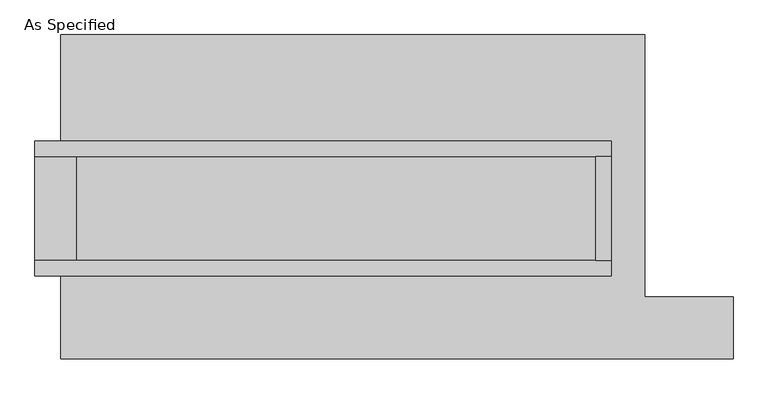
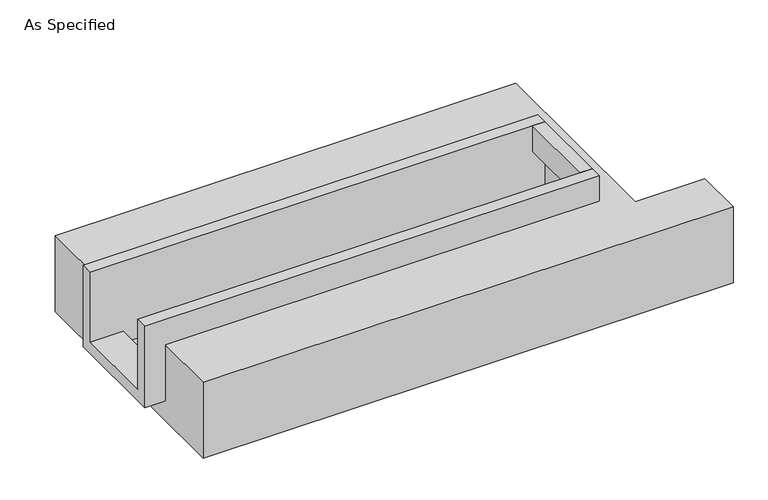
"""IFC4 building model written with IfcOpenShell, lengths in millimetres: proxy geometry, As Specified."""

from ifc_helpers import new_model, si_unit, frame, origin, place, context, project, spatial, polyline, outline, extrude, faceted_brep, source, transform, mapped, element, save


def as_specified_9bcf6211(model_context):
    return source(origin(), model_context, "Body", "SolidModel", [
        extrude(outline(polyline([(1187.45, 196.85), (1263.65, 196.85), (1263.65, -311.15), (1187.45, -311.15), (1187.45, 196.85)])), frame((0.0, 0.0, -25.4), z_axis=(0.0, 0.0, 1.0), x_axis=(1.0, 0.0, 0.0)), (0.0, 0.0, 1.0), 165.1),
        faceted_brep([(1263.65, 196.85, 139.7), (1263.65, 196.85, -317.5), (1263.65, -311.15, -317.5), (1263.65, -311.15, 139.7), (1263.65, -387.35, 139.7), (1263.65, -387.35, -393.7), (1263.65, 273.05, -393.7), (1263.65, 273.05, 139.7), (-1555.75, 196.85, 139.7), (-1555.75, 273.05, 139.7), (-1555.75, 273.05, -393.7), (-1555.75, -387.35, -393.7), (-1555.75, -387.35, 139.7), (-1555.75, -311.15, 139.7), (-1555.75, -311.15, -317.5), (-1555.75, 196.85, -317.5), (-1352.55, 196.85, -393.7), (-1352.55, -311.15, -393.7), (1187.45, -311.15, -393.7), (1187.45, 196.85, -393.7), (1187.45, -311.15, -317.5), (-1352.55, -311.15, -317.5), (1187.45, 196.85, -317.5), (-1352.55, 196.85, -317.5)], [[[0, 1, 2, 3, 4, 5, 6, 7]], [[8, 9, 10, 11, 12, 13, 14, 15]], [[0, 7, 9, 8]], [[7, 6, 10, 9]], [[6, 5, 11, 10], [16, 17, 18, 19]], [[4, 3, 13, 12]], [[3, 2, 20, 18, 17, 21, 14, 13]], [[2, 1, 22, 20]], [[15, 14, 21, 23]], [[1, 0, 8, 15, 23, 16, 19, 22]], [[21, 17, 16, 23]], [[18, 20, 22, 19]], [[5, 4, 12, 11]]]),
        faceted_brep([(-1428.75, 793.75, -523.9742188), (1428.75, 793.75, -523.9742188), (1428.75, -488.95, -523.9742188), (1860.55, -488.95, -523.9742188), (1860.55, -793.75, -523.9742188), (-1428.75, -793.75, -523.9742188), (1428.75, 793.75, -25.4), (-1428.75, 793.75, -25.4), (-1428.75, 273.05, -25.4), (1263.65, 273.05, -25.4), (1263.65, -387.35, -25.4), (-1428.75, -387.35, -25.4), (-1428.75, -793.75, -25.4), (1860.55, -793.75, -25.4), (1860.55, -488.95, -25.4), (1428.75, -488.95, -25.4), (-1428.75, -387.35, -393.7), (-1428.75, 273.05, -393.7), (1263.65, 273.05, -393.7), (1263.65, -387.35, -393.7)], [[[0, 1, 2, 3, 4, 5]], [[6, 7, 8, 9, 10, 11, 12, 13, 14, 15]], [[1, 0, 7, 6]], [[7, 0, 5, 12, 11, 16, 17, 8]], [[1, 6, 15, 2]], [[5, 4, 13, 12]], [[18, 19, 10, 9]], [[17, 18, 9, 8]], [[19, 18, 17, 16]], [[19, 16, 11, 10]], [[4, 3, 14, 13]], [[3, 2, 15, 14]]]),
    ])


if __name__ == "__main__":
    model = new_model("IFC4")
    model_context = context("Model", 3, world=origin())
    ifc_project = project(units=[si_unit("LENGTHUNIT", "METRE", prefix="MILLI")], contexts=[model_context])
    site = spatial("IfcSite", under=ifc_project)
    building = spatial("IfcBuilding", under=site)
    placement = place(None, origin())
    as_specified_shape = as_specified_9bcf6211(model_context)
    element("IfcBuildingElementProxy", 1, Name="As Specified", ObjectType="As Specified", at=placement, inside=building, context=model_context, shape_type="MappedRepresentation", body=[
        mapped(as_specified_shape, transform((0.0, 0.0, 0.0), x_axis=(1.0, 0.0, 0.0), y_axis=(0.0, 1.0, 0.0), z_axis=(0.0, 0.0, 1.0))),
    ])
    save(model, "model.ifc")
